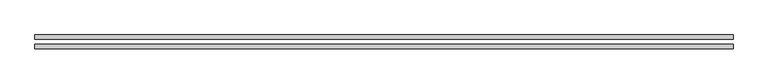
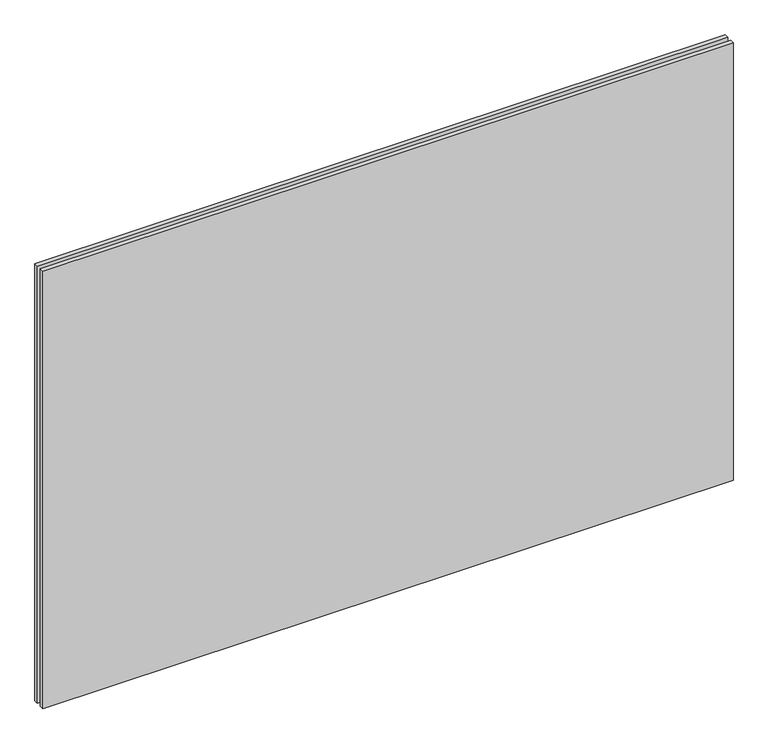
"""IFC4 building model written with IfcOpenShell, lengths in millimetres: plate geometry."""

import ifcopenshell
import ifcopenshell.guid

model = None  # the IFC model being written
_history = None  # IfcOwnerHistory: only IFC2X3 demands one
_inside = {}  # id of a spatial element -> (the spatial element, [elements in it])
_under = {}  # id of a project, library or spatial element -> (it, [spatial elements below it])
_declared = {}  # id of a project -> (the project, [libraries it declares])
_typed = {}  # id of a type object -> (the type object, [elements of that type])
_made_of = {}  # id of a material, layer set ... -> (it, [elements and type objects made of it])


def new_model(schema):
    """Start an empty IFC model of exactly this schema.

    Asked for "IFC4X3", IfcOpenShell would pick the latest addendum, in which some entities
    have other attributes; the version numbers below select the first issue.
    IFC2X3 requires an IfcOwnerHistory on every rooted entity: one is made here for all.
    """
    global model, _history
    if schema == "IFC4X3":
        model = ifcopenshell.file(schema_version=(4, 3, 0, 0))
    else:
        model = ifcopenshell.file(schema=schema)
    _inside.clear()
    _under.clear()
    _declared.clear()
    _typed.clear()
    _made_of.clear()
    _history = None
    if model.schema == "IFC2X3":
        org = make("IfcOrganization", Name="unknown")
        user = make(
            "IfcPersonAndOrganization",
            ThePerson=make("IfcPerson", FamilyName="unknown"),
            TheOrganization=org,
        )
        app = make(
            "IfcApplication",
            ApplicationDeveloper=org,
            Version="unknown",
            ApplicationFullName="unknown",
            ApplicationIdentifier="unknown",
        )
        _history = make(
            "IfcOwnerHistory",
            OwningUser=user,
            OwningApplication=app,
            ChangeAction="ADDED",
            CreationDate=0,
        )
    return model


def make(cls, **values):
    """One entity of the class cls with the attributes given. An attribute that is None is left unset."""
    return model.create_entity(
        cls, **{name: value for name, value in values.items() if value is not None}
    )


def rooted(cls, **values):
    """An entity with a GlobalId (a new one), such as an element, a storey or a relation."""
    return make(cls, GlobalId=ifcopenshell.guid.new(), OwnerHistory=_history, **values)


def si_unit(unit_type, name, prefix=None):
    """IfcSIUnit, for example si_unit("LENGTHUNIT", "METRE", prefix="MILLI")."""
    return make("IfcSIUnit", UnitType=unit_type, Prefix=prefix, Name=name)


def assignment(units):
    """IfcUnitAssignment: the units of a project."""
    return None if units is None else make("IfcUnitAssignment", Units=units)


def point(xyz):
    """IfcCartesianPoint."""
    return None if xyz is None else make("IfcCartesianPoint", Coordinates=xyz)


def direction(xyz):
    """IfcDirection."""
    return None if xyz is None else make("IfcDirection", DirectionRatios=xyz)


def frame(location, z_axis=None, x_axis=None):
    """IfcAxis2Placement3D, a coordinate frame: its origin and axes. An axis left out is left unset."""
    return make(
        "IfcAxis2Placement3D",
        Location=point(location),
        Axis=direction(z_axis),
        RefDirection=direction(x_axis),
    )


def origin():
    """The frame at (0, 0, 0) with its axes left unset."""
    return frame((0.0, 0.0, 0.0))


def origin_with_axes():
    """The frame at (0, 0, 0) with the z axis (0, 0, 1) and the x axis (1, 0, 0) written out."""
    return frame((0.0, 0.0, 0.0), z_axis=(0.0, 0.0, 1.0), x_axis=(1.0, 0.0, 0.0))


def place(relative_to, where):
    """IfcLocalPlacement: puts the frame where relative to a parent placement (None: the world)."""
    return make(
        "IfcLocalPlacement", PlacementRelTo=relative_to, RelativePlacement=where
    )


def context(
    kind, dimensions, precision=None, world=None, true_north=None, identifier=None
):
    """IfcGeometricRepresentationContext, for example the 3D "Model" context."""
    return make(
        "IfcGeometricRepresentationContext",
        ContextIdentifier=identifier,
        ContextType=kind,
        CoordinateSpaceDimension=dimensions,
        Precision=precision,
        WorldCoordinateSystem=world,
        TrueNorth=true_north,
    )


def project(units=None, contexts=None):
    """IfcProject with its units and contexts."""
    return rooted(
        "IfcProject",
        Name="project",
        RepresentationContexts=contexts,
        UnitsInContext=assignment(units),
    )


def spatial(cls, under=None, at=None, **own):
    """A site, building, storey or space (cls), placed at a placement, below another one or the project."""
    s = rooted(cls, ObjectPlacement=at, **own)
    if under is not None:
        _under.setdefault(under.id(), (under, []))[1].append(s)
    return s


def polyline(points):
    """IfcPolyline through the points."""
    return make("IfcPolyline", Points=[point(p) for p in points])


def outline(outer, holes=None, kind="AREA"):
    """IfcArbitraryClosedProfileDef: a profile drawn as a closed curve; with holes, ...WithVoids."""
    if holes is None:
        return make("IfcArbitraryClosedProfileDef", ProfileType=kind, OuterCurve=outer)
    return make(
        "IfcArbitraryProfileDefWithVoids",
        ProfileType=kind,
        OuterCurve=outer,
        InnerCurves=holes,
    )


def extrude(swept, where, along, depth):
    """IfcExtrudedAreaSolid: the profile swept, set in the frame where, extruded along a direction by depth."""
    return make(
        "IfcExtrudedAreaSolid",
        SweptArea=swept,
        Position=where,
        ExtrudedDirection=direction(along),
        Depth=depth,
    )


def shape(context_of_items, identifier, shape_type, items):
    """IfcShapeRepresentation: the items that make up one representation, for example the "Body"."""
    return make(
        "IfcShapeRepresentation",
        ContextOfItems=context_of_items,
        RepresentationIdentifier=identifier,
        RepresentationType=shape_type,
        Items=items,
    )


def source(mapping_origin, context_of_items, identifier, shape_type, items):
    """IfcRepresentationMap: a shape defined once, which mapped items show again and again."""
    return make(
        "IfcRepresentationMap",
        MappingOrigin=mapping_origin,
        MappedRepresentation=shape(context_of_items, identifier, shape_type, items),
    )


def transform(
    local_origin,
    x_axis=None,
    y_axis=None,
    z_axis=None,
    scale=None,
    scale2=None,
    scale3=None,
    uniform=True,
):
    """IfcCartesianTransformationOperator3D, or its non-uniform kind. x_axis, y_axis, z_axis: its Axis1, 2, 3."""
    if uniform:
        return make(
            "IfcCartesianTransformationOperator3D",
            Axis1=direction(x_axis),
            Axis2=direction(y_axis),
            LocalOrigin=point(local_origin),
            Scale=scale,
            Axis3=direction(z_axis),
        )
    return make(
        "IfcCartesianTransformationOperator3DnonUniform",
        Axis1=direction(x_axis),
        Axis2=direction(y_axis),
        LocalOrigin=point(local_origin),
        Scale=scale,
        Axis3=direction(z_axis),
        Scale2=scale2,
        Scale3=scale3,
    )


def mapped(mapping_source, mapping_target):
    """IfcMappedItem: shows the shape of a source again, moved by a transform."""
    return make(
        "IfcMappedItem", MappingSource=mapping_source, MappingTarget=mapping_target
    )


def made_of(thing, what):
    """Note that an element or type object is made of a material, layer set ...; save() writes the relation."""
    if what is not None:
        _made_of.setdefault(what.id(), (what, []))[1].append(thing)
    return thing


def element(
    cls,
    number,
    at=None,
    inside=None,
    cuts=None,
    type_object=None,
    material=None,
    context=None,
    identifier="Body",
    shape_type=None,
    held_by="IfcProductDefinitionShape",
    body=None,
    shapes=None,
    **own,
):
    """One element of the class cls, such as IfcWall. Its Tag is "e" and its number.

    at: its placement. inside: the storey or other place that contains it. cuts: it is an
    opening in that element (IfcRelVoidsElement). A single representation is given by context,
    identifier, shape_type and body (its items); several are given by shapes. held_by: the class
    of the entity that holds the representations. save() writes the other relations.
    """
    e = rooted(cls, Tag="e%d" % number, ObjectPlacement=at, **own)
    if body is not None:
        shapes = [shape(context, identifier, shape_type, body)]
    if shapes is not None:
        e.Representation = make(held_by, Representations=shapes)
    if inside is not None:
        _inside.setdefault(inside.id(), (inside, []))[1].append(e)
    if cuts is not None:
        rooted(
            "IfcRelVoidsElement", RelatingBuildingElement=cuts, RelatedOpeningElement=e
        )
    if type_object is not None:
        _typed.setdefault(type_object.id(), (type_object, []))[1].append(e)
    return made_of(e, material)


def aggregate(whole, parts):
    """IfcRelAggregates: a whole, such as a stair, and the parts it consists of."""
    return rooted("IfcRelAggregates", RelatingObject=whole, RelatedObjects=parts)


def save(model, path):
    """Write the relations noted so far, then the file.

    IfcRelAggregates (storeys below a building ...), IfcRelContainedInSpatialStructure (elements
    in a storey), IfcRelDefinesByType, IfcRelAssociatesMaterial and IfcRelDeclares: one each for
    every whole, place, type object, material and project.
    """
    for whole, parts in _under.values():
        aggregate(whole, parts)
    for where, things in _inside.values():
        rooted(
            "IfcRelContainedInSpatialStructure",
            RelatedElements=things,
            RelatingStructure=where,
        )
    for kind, things in _typed.values():
        rooted("IfcRelDefinesByType", RelatedObjects=things, RelatingType=kind)
    for what, things in _made_of.values():
        rooted("IfcRelAssociatesMaterial", RelatedObjects=things, RelatingMaterial=what)
    for by, libraries in _declared.values():
        rooted("IfcRelDeclares", RelatingContext=by, RelatedDefinitions=libraries)
    model.write(path)


def plate_afe5b86f(model_context):
    return source(origin(), model_context, "Body", "SweptSolid", [
        extrude(outline(polyline([(632.5, -4.5), (632.5, -12.5), (-632.5, -12.5), (-632.5, -4.5), (632.5, -4.5)])), origin_with_axes(), (0.0, 0.0, 1.0), 847.5),
        extrude(outline(polyline([(632.5, 4.5), (-632.5, 4.5), (-632.5, 12.5), (632.5, 12.5), (632.5, 4.5)])), origin_with_axes(), (0.0, 0.0, 1.0), 847.5),
    ])


if __name__ == "__main__":
    model = new_model("IFC4")
    model_context = context("Model", 3, world=origin())
    ifc_project = project(units=[si_unit("LENGTHUNIT", "METRE", prefix="MILLI")], contexts=[model_context])
    site = spatial("IfcSite", under=ifc_project)
    building = spatial("IfcBuilding", under=site)
    placement = place(None, origin())
    plate_shape = plate_afe5b86f(model_context)
    element("IfcPlate", 1, at=placement, inside=building, context=model_context, shape_type="MappedRepresentation", body=[
        mapped(plate_shape, transform((0.0, 0.0, 0.0), x_axis=(1.0, 0.0, 0.0), y_axis=(0.0, 1.0, 0.0), z_axis=(0.0, 0.0, 1.0))),
    ])
    save(model, "model.ifc")
